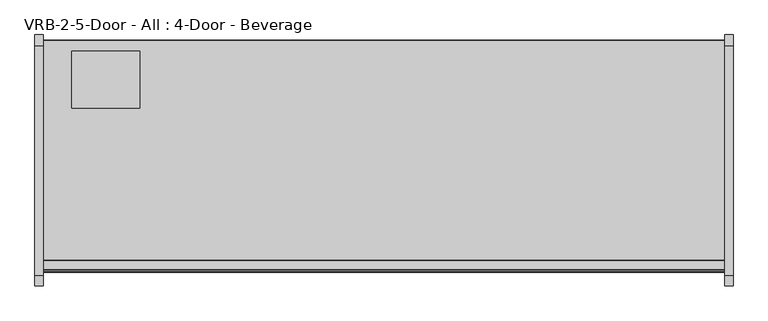
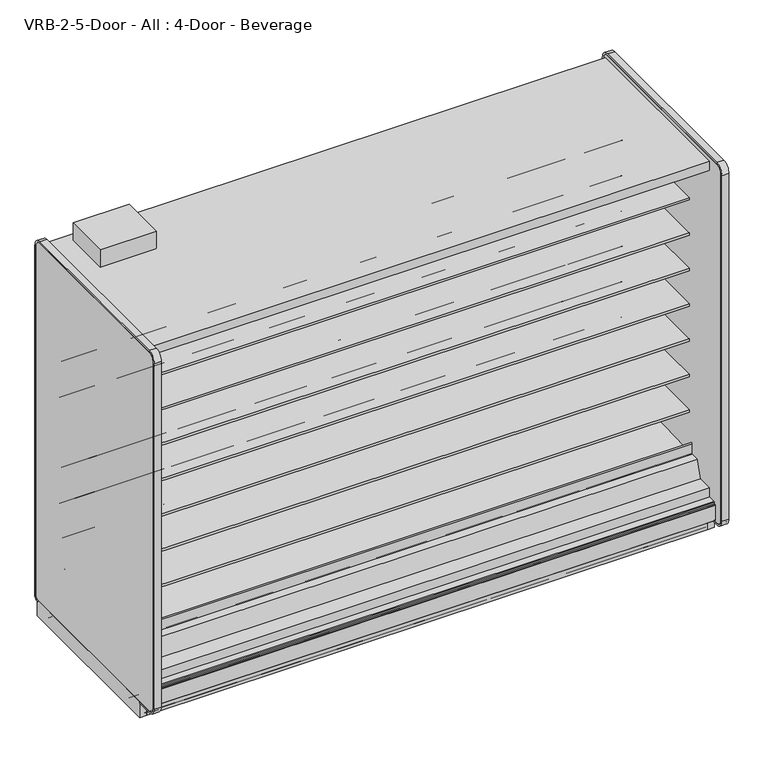
"""IFC4 building model written with IfcOpenShell, lengths in millimetres: proxy geometry, VRB-2-5-Door - All : 4-Door - Beverage."""

from ifc_helpers import new_model, si_unit, point, frame, frame_2d, origin, origin_with_axes, place, context, project, spatial, polyline, circle_curve, trimmed, segment, composite_curve, outline, extrude, source, transform, mapped, element, save
from ifc_brep_helpers import plane_surface, cylinder_surface, revolved_surface, advanced_brep


def vrb_2_5_door_all_4_door_beverage_f29bdd62(model_context):
    return source(origin(), model_context, "Body", "SolidModel", [
        extrude(outline(polyline([(3048.0, -1294.7870385), (3048.0, -1310.6620385), (0.0, -1310.6620385), (0.0, -1294.7870385), (3048.0, -1294.7870385)])), origin_with_axes(), (0.0, 0.0, 1.0), 104.775),
        extrude(outline(composite_curve([segment(polyline([(-454.6049477, 587.0133455), (-454.6049477, 512.2441036), (-474.1172272, 511.9123192)]), True, "CONTINUOUS"), segment(trimmed(circle_curve(frame_2d((-474.5490633, 537.308648)), 25.4), [point((-474.1172272, 511.9123192))], [point((-490.5264195, 517.5631653))], False, "CARTESIAN"), True, "CONTINUOUS"), segment(polyline([(-490.5264195, 517.5631653), (-508.3784807, 532.0084308)]), True, "CONTINUOUS"), segment(trimmed(circle_curve(frame_2d((-548.3218713, 482.6447241)), 63.5), [point((-508.3784807, 532.0084308))], [point((-540.4239901, 545.651656))], True, "CARTESIAN"), True, "CONTINUOUS"), segment(polyline([(-540.4239901, 545.651656), (-881.8726577, 569.3487934), (-883.3614342, 572.7893455), (-1140.4049477, 572.7893455), (-1140.4049477, 587.0133455), (-454.6049477, 587.0133455)]), True, "CONTINUOUS")], self_intersect=False)), frame((0.0, 0.0, 0.0), z_axis=(1.0, 0.0, 0.0), x_axis=(0.0, 1.0, 0.0)), (0.0, 0.0, 1.0), 3048.0),
        extrude(outline(composite_curve([segment(polyline([(-454.6049477, 790.2133624), (-454.6049477, 715.4441204), (-474.1172272, 715.112336)]), True, "CONTINUOUS"), segment(trimmed(circle_curve(frame_2d((-474.5490633, 740.5086648)), 25.4), [point((-474.1172272, 715.112336))], [point((-490.5264195, 720.7631821))], False, "CARTESIAN"), True, "CONTINUOUS"), segment(polyline([(-490.5264195, 720.7631821), (-508.3784807, 735.2084477)]), True, "CONTINUOUS"), segment(trimmed(circle_curve(frame_2d((-548.3218713, 685.8447409)), 63.5), [point((-508.3784807, 735.2084477))], [point((-540.4239901, 748.8516729))], True, "CARTESIAN"), True, "CONTINUOUS"), segment(polyline([(-540.4239901, 748.8516729), (-881.8726577, 772.5488103), (-883.3614342, 775.9893624), (-1140.4049477, 775.9893624), (-1140.4049477, 790.2133624), (-454.6049477, 790.2133624)]), True, "CONTINUOUS")], self_intersect=False)), frame((0.0, 0.0, 0.0), z_axis=(1.0, 0.0, 0.0), x_axis=(0.0, 1.0, 0.0)), (0.0, 0.0, 1.0), 3048.0),
        extrude(outline(composite_curve([segment(polyline([(-454.6049477, 993.4133793), (-454.6049477, 918.6441373), (-474.1172272, 918.3123529)]), True, "CONTINUOUS"), segment(trimmed(circle_curve(frame_2d((-474.5490633, 943.7086817)), 25.4), [point((-474.1172272, 918.3123529))], [point((-490.5264195, 923.963199))], False, "CARTESIAN"), True, "CONTINUOUS"), segment(polyline([(-490.5264195, 923.963199), (-508.3784807, 938.4084646)]), True, "CONTINUOUS"), segment(trimmed(circle_curve(frame_2d((-548.3218713, 889.0447578)), 63.5), [point((-508.3784807, 938.4084646))], [point((-540.4239901, 952.0516897))], True, "CARTESIAN"), True, "CONTINUOUS"), segment(polyline([(-540.4239901, 952.0516897), (-881.8726577, 975.7488272), (-883.3614342, 979.1893793), (-1140.4049477, 979.1893793), (-1140.4049477, 993.4133793), (-454.6049477, 993.4133793)]), True, "CONTINUOUS")], self_intersect=False)), frame((0.0, 0.0, 0.0), z_axis=(1.0, 0.0, 0.0), x_axis=(0.0, 1.0, 0.0)), (0.0, 0.0, 1.0), 3048.0),
        extrude(outline(composite_curve([segment(polyline([(-454.6049477, 1196.6133961), (-454.6049477, 1121.8441542), (-474.1172272, 1121.5123698)]), True, "CONTINUOUS"), segment(trimmed(circle_curve(frame_2d((-474.5490633, 1146.9086986)), 25.4), [point((-474.1172272, 1121.5123698))], [point((-490.5264195, 1127.1632159))], False, "CARTESIAN"), True, "CONTINUOUS"), segment(polyline([(-490.5264195, 1127.1632159), (-508.3784807, 1141.6084814)]), True, "CONTINUOUS"), segment(trimmed(circle_curve(frame_2d((-548.3218713, 1092.2447747)), 63.5), [point((-508.3784807, 1141.6084814))], [point((-540.4239901, 1155.2517066))], True, "CARTESIAN"), True, "CONTINUOUS"), segment(polyline([(-540.4239901, 1155.2517066), (-881.8726577, 1178.948844), (-883.3614342, 1182.3893961), (-1140.4049477, 1182.3893961), (-1140.4049477, 1196.6133961), (-454.6049477, 1196.6133961)]), True, "CONTINUOUS")], self_intersect=False)), frame((0.0, 0.0, 0.0), z_axis=(1.0, 0.0, 0.0), x_axis=(0.0, 1.0, 0.0)), (0.0, 0.0, 1.0), 3048.0),
        extrude(outline(composite_curve([segment(polyline([(-454.6049477, 1399.813413), (-454.6049477, 1325.044171), (-474.1172272, 1324.7123866)]), True, "CONTINUOUS"), segment(trimmed(circle_curve(frame_2d((-474.5490633, 1350.1087155)), 25.4), [point((-474.1172272, 1324.7123866))], [point((-490.5264195, 1330.3632328))], False, "CARTESIAN"), True, "CONTINUOUS"), segment(polyline([(-490.5264195, 1330.3632328), (-508.3784807, 1344.8084983)]), True, "CONTINUOUS"), segment(trimmed(circle_curve(frame_2d((-548.3218713, 1295.4447915)), 63.5), [point((-508.3784807, 1344.8084983))], [point((-540.4239901, 1358.4517235))], True, "CARTESIAN"), True, "CONTINUOUS"), segment(polyline([(-540.4239901, 1358.4517235), (-881.8726577, 1382.1488609), (-883.3614342, 1385.589413), (-1140.4049477, 1385.589413), (-1140.4049477, 1399.813413), (-454.6049477, 1399.813413)]), True, "CONTINUOUS")], self_intersect=False)), frame((0.0, 0.0, 0.0), z_axis=(1.0, 0.0, 0.0), x_axis=(0.0, 1.0, 0.0)), (0.0, 0.0, 1.0), 3048.0),
        extrude(outline(composite_curve([segment(polyline([(-454.6049477, 1603.0134299), (-454.6049477, 1528.2441879), (-474.1172272, 1527.9124035)]), True, "CONTINUOUS"), segment(trimmed(circle_curve(frame_2d((-474.5490633, 1553.3087323)), 25.4), [point((-474.1172272, 1527.9124035))], [point((-490.5264195, 1533.5632496))], False, "CARTESIAN"), True, "CONTINUOUS"), segment(polyline([(-490.5264195, 1533.5632496), (-508.3784807, 1548.0085152)]), True, "CONTINUOUS"), segment(trimmed(circle_curve(frame_2d((-548.3218713, 1498.6448084)), 63.5), [point((-508.3784807, 1548.0085152))], [point((-540.4239901, 1561.6517403))], True, "CARTESIAN"), True, "CONTINUOUS"), segment(polyline([(-540.4239901, 1561.6517403), (-881.8726577, 1585.3488778), (-883.3614342, 1588.7894299), (-1140.4049477, 1588.7894299), (-1140.4049477, 1603.0134299), (-454.6049477, 1603.0134299)]), True, "CONTINUOUS")], self_intersect=False)), frame((0.0, 0.0, 0.0), z_axis=(1.0, 0.0, 0.0), x_axis=(0.0, 1.0, 0.0)), (0.0, 0.0, 1.0), 3048.0),
        advanced_brep(
        [(3048.0, -348.8529385, 2.3876), (3048.0, -348.8529385, 104.775), (3048.0, -1148.1782385, 104.775), (3048.0, -1148.1782385, 24.892), (3048.0, -1148.1782385, 2.3876), (3048.0, -1145.7906385, 0.0), (3048.0, -1106.3866533, 0.0), (3048.0, -1106.3866533, 26.6446), (3048.0, -1091.8070533, 26.6446), (3048.0, -1085.4570533, 32.9946), (3048.0, -1085.4570533, 49.4411), (3048.0, -962.5804385, 49.4411), (3048.0, -941.6254385, 49.4411), (3048.0, -692.7054385, 49.4411), (3048.0, -671.7504385, 49.4411), (3048.0, -549.8304385, 49.4411), (3048.0, -528.8754385, 49.4411), (3048.0, -405.9988237, 49.4411), (3048.0, -405.9988237, 32.9946), (3048.0, -399.6488237, 26.6446), (3048.0, -385.8820237, 26.6446), (3048.0, -385.8820237, 0.0), (3048.0, -351.2405385, 0.0), (0.0, -348.8529385, 2.3876), (0.0, -351.2405385, 0.0), (0.0, -385.8820237, 0.0), (0.0, -385.8820237, 26.6446), (0.0, -399.6488237, 26.6446), (0.0, -405.9988237, 32.9946), (0.0, -405.9988237, 49.4411), (0.0, -528.8754385, 49.4411), (0.0, -549.8304385, 49.4581125), (0.0, -671.7504385, 49.4411), (0.0, -692.7054385, 49.4581125), (0.0, -941.6254385, 49.4411), (0.0, -962.5804385, 49.4581125), (0.0, -1085.4570533, 49.4411), (0.0, -1085.4570533, 32.9946), (0.0, -1091.8070533, 26.6446), (0.0, -1106.3866533, 26.6446), (0.0, -1106.3866533, 0.0), (0.0, -1145.7906385, 0.0), (0.0, -1148.1782385, 2.3876), (0.0, -1148.1782385, 24.892), (0.0, -1148.1782385, 104.775), (0.0, -348.8529385, 104.775)],
        [
            (0, 1),
            (1, 2),
            (2, 3),
            (3, 4),
            (4, 5, circle_curve(frame((3048.0, -1145.7906385, 2.3876), z_axis=(1.0, 0.0, 0.0), x_axis=(0.0, 1.0, 0.0)), 2.3876)),
            (5, 6),
            (6, 7),
            (7, 8),
            (8, 9, circle_curve(frame((3048.0, -1091.8070533, 32.9946), z_axis=(1.0, 0.0, 0.0), x_axis=(0.0, 1.0, 0.0)), 6.35)),
            (9, 10),
            (10, 11),
            (11, 12),
            (12, 13),
            (13, 14),
            (14, 15),
            (15, 16),
            (16, 17),
            (17, 18),
            (18, 19, circle_curve(frame((3048.0, -399.6488237, 32.9946), z_axis=(1.0, 0.0, 0.0), x_axis=(0.0, 1.0, 0.0)), 6.35)),
            (19, 20),
            (20, 21),
            (21, 22),
            (22, 0, circle_curve(frame((3048.0, -351.2405385, 2.3876), z_axis=(1.0, 0.0, 0.0), x_axis=(0.0, 1.0, 0.0)), 2.3876)),
            (23, 24, circle_curve(frame((0.0, -351.2405385, 2.3876), z_axis=(-1.0, 0.0, 0.0), x_axis=(0.0, 1.0, 0.0)), 2.3876)),
            (24, 25),
            (25, 26),
            (26, 27),
            (27, 28, circle_curve(frame((0.0, -399.6488237, 32.9946), z_axis=(-1.0, 0.0, 0.0), x_axis=(0.0, 1.0, 0.0)), 6.35)),
            (28, 29),
            (29, 30),
            (30, 31),
            (31, 32),
            (32, 33),
            (33, 34),
            (34, 35),
            (35, 36),
            (36, 37),
            (37, 38, circle_curve(frame((0.0, -1091.8070533, 32.9946), z_axis=(-1.0, 0.0, 0.0), x_axis=(0.0, 1.0, 0.0)), 6.35)),
            (38, 39),
            (39, 40),
            (40, 41),
            (41, 42, circle_curve(frame((0.0, -1145.7906385, 2.3876), z_axis=(-1.0, 0.0, 0.0), x_axis=(0.0, 1.0, 0.0)), 2.3876)),
            (42, 43),
            (43, 44),
            (44, 45),
            (45, 23),
            (0, 23),
            (45, 1),
            (44, 2),
            (43, 3),
            (42, 4),
            (41, 5),
            (40, 6),
            (39, 7),
            (38, 8),
            (37, 9),
            (36, 10),
            (35, 11),
            (34, 12),
            (33, 13),
            (32, 14),
            (31, 15),
            (30, 16),
            (29, 17),
            (28, 18),
            (27, 19),
            (26, 20),
            (25, 21),
            (24, 22),
        ],
        [
            plane_surface(frame((3048.0, -348.8529385, 104.775), z_axis=(1.0, 0.0, 0.0), x_axis=(0.0, 0.0, 1.0))),
            plane_surface(frame((0.0, -348.8529385, 104.775), z_axis=(-1.0, 0.0, 0.0), x_axis=(0.0, 0.0, -1.0))),
            plane_surface(frame((3048.0, -348.8529385, 2.3876), z_axis=(0.0, 1.0, 0.0), x_axis=(-1.0, 0.0, 0.0))),
            plane_surface(frame((3048.0, -348.8529385, 104.775), z_axis=(0.0, 0.0, 1.0), x_axis=(-1.0, 0.0, 0.0))),
            plane_surface(frame((3048.0, -1148.1782385, 104.775), z_axis=(0.0, -1.0, 0.0), x_axis=(-1.0, 0.0, 0.0))),
            plane_surface(frame((3048.0, -1148.1782385, 24.892), z_axis=(0.0, -1.0, 0.0), x_axis=(-1.0, 0.0, 0.0))),
            cylinder_surface(frame((0.0, -1145.7906385, 2.3876), z_axis=(1.0, 0.0, 0.0), x_axis=(0.0, 1.0, 0.0)), 2.3876),
            plane_surface(frame((3048.0, -1145.7906385, 0.0), z_axis=(0.0, 0.0, -1.0), x_axis=(-1.0, 0.0, 0.0))),
            plane_surface(frame((3048.0, -1106.3866533, 0.0), z_axis=(0.0, 1.0, 0.0), x_axis=(-1.0, 0.0, 0.0))),
            plane_surface(frame((3048.0, -1106.3866533, 26.6446), z_axis=(0.0, 0.0, -1.0), x_axis=(-1.0, 0.0, 0.0))),
            cylinder_surface(frame((0.0, -1091.8070533, 32.9946), z_axis=(1.0, 0.0, 0.0), x_axis=(0.0, 1.0, 0.0)), 6.35),
            plane_surface(frame((3048.0, -1085.4570533, 32.9946), z_axis=(0.0, 1.0, 0.0), x_axis=(-1.0, 0.0, 0.0))),
            plane_surface(frame((3048.0, -1085.4570533, 49.4411), z_axis=(0.0, 0.0, -1.0), x_axis=(-1.0, 0.0, 0.0))),
            plane_surface(frame((3048.0, -962.5804385, 49.4581125), z_axis=(0.0, -0.0008118606294216209, -0.9999996704411049), x_axis=(-1.0, 0.0, 0.0))),
            plane_surface(frame((3048.0, -941.6254385, 49.4411), z_axis=(0.0, 0.0, -1.0), x_axis=(-1.0, 0.0, 0.0))),
            plane_surface(frame((3048.0, -692.7054385, 49.4581125), z_axis=(0.0, -0.0008118606294217887, -0.9999996704411049), x_axis=(-1.0, 0.0, 0.0))),
            plane_surface(frame((3048.0, -671.7504385, 49.4411), z_axis=(0.0, 0.0, -1.0), x_axis=(-1.0, 0.0, 0.0))),
            plane_surface(frame((3048.0, -549.8304385, 49.4581125), z_axis=(0.0, -0.0008118606294217887, -0.9999996704411049), x_axis=(-1.0, 0.0, 0.0))),
            plane_surface(frame((3048.0, -528.8754385, 49.4411), z_axis=(0.0, 0.0, -1.0), x_axis=(-1.0, 0.0, 0.0))),
            plane_surface(frame((3048.0, -405.9988237, 49.4411), z_axis=(0.0, -1.0, 0.0), x_axis=(-1.0, 0.0, 0.0))),
            cylinder_surface(frame((0.0, -399.6488237, 32.9946), z_axis=(1.0, 0.0, 0.0), x_axis=(0.0, 1.0, 0.0)), 6.35),
            plane_surface(frame((3048.0, -399.6488237, 26.6446), z_axis=(0.0, 0.0, -1.0), x_axis=(-1.0, 0.0, 0.0))),
            plane_surface(frame((3048.0, -385.8820237, 26.6446), z_axis=(0.0, -1.0, 0.0), x_axis=(-1.0, 0.0, 0.0))),
            plane_surface(frame((3048.0, -385.8820237, 0.0), z_axis=(0.0, 0.0, -1.0), x_axis=(-1.0, 0.0, 0.0))),
            cylinder_surface(frame((0.0, -351.2405385, 2.3876), z_axis=(1.0, 0.0, 0.0), x_axis=(0.0, 1.0, 0.0)), 2.3876),
        ],
        [
            (0, [[1, 2, 3, 4, 5, 6, 7, 8, 9, 10, 11, 12, 13, 14, 15, 16, 17, 18, 19, 20, 21, 22, 23]]),
            (1, [[24, 25, 26, 27, 28, 29, 30, 31, 32, 33, 34, 35, 36, 37, 38, 39, 40, 41, 42, 43, 44, 45, 46]]),
            (2, [[-1, 47, -46, 48]]),
            (3, [[-2, -48, -45, 49]]),
            (4, [[-3, -49, -44, 50]]),
            (5, [[-4, -50, -43, 51]]),
            (6, [[-5, -51, -42, 52]]),
            (7, [[-6, -52, -41, 53]]),
            (8, [[-7, -53, -40, 54]]),
            (9, [[-8, -54, -39, 55]]),
            (10, [[-9, -55, -38, 56]]),
            (11, [[-10, -56, -37, 57]]),
            (12, [[-11, -57, -36, 58]]),
            (13, [[-12, -58, -35, 59]]),
            (14, [[-13, -59, -34, 60]]),
            (15, [[-14, -60, -33, 61]]),
            (16, [[-15, -61, -32, 62]]),
            (17, [[-16, -62, -31, 63]]),
            (18, [[-17, -63, -30, 64]]),
            (19, [[-18, -64, -29, 65]]),
            (20, [[-19, -65, -28, 66]]),
            (21, [[-20, -66, -27, 67]]),
            (22, [[-21, -67, -26, 68]]),
            (23, [[-22, -68, -25, 69]]),
            (24, [[-23, -69, -24, -47]]),
        ],
    ),
        extrude(outline(composite_curve([segment(polyline([(-454.6049477, 1806.2134975), (-454.6049477, 1731.4442556), (-474.1172272, 1731.1124712)]), True, "CONTINUOUS"), segment(trimmed(circle_curve(frame_2d((-474.5490633, 1756.5088)), 25.4), [point((-474.1172272, 1731.1124712))], [point((-490.5264195, 1736.7633173))], False, "CARTESIAN"), True, "CONTINUOUS"), segment(polyline([(-490.5264195, 1736.7633173), (-508.3784807, 1751.2085828)]), True, "CONTINUOUS"), segment(trimmed(circle_curve(frame_2d((-548.3218713, 1701.8448761)), 63.5), [point((-508.3784807, 1751.2085828))], [point((-540.4239901, 1764.851808))], True, "CARTESIAN"), True, "CONTINUOUS"), segment(polyline([(-540.4239901, 1764.851808), (-881.8726577, 1788.5489454), (-883.3614342, 1791.9894975), (-1140.4049477, 1791.9894975), (-1140.4049477, 1806.2134975), (-454.6049477, 1806.2134975)]), True, "CONTINUOUS")], self_intersect=False)), frame((0.0, 0.0, 0.0), z_axis=(1.0, 0.0, 0.0), x_axis=(0.0, 1.0, 0.0)), (0.0, 0.0, 1.0), 3048.0),
        advanced_brep(
        [(3048.0, -348.8529385, 104.775), (3048.0, -348.8529385, 2130.425), (3048.0, -1332.4576552, 2130.425), (3048.0, -1332.4576552, 2080.6916932), (3048.0, -403.803446, 2080.6916932), (3048.0, -403.803446, 192.3002762), (3048.0, -1241.5918606, 158.2443144), (3048.0, -1332.4576552, 168.8736205), (3048.0, -1332.4576552, 201.2766923), (3048.0, -1373.5961083, 201.2766923), (3048.0, -1376.2595244, 197.8095897), (3048.0, -1376.2595244, 188.9614574), (3048.0, -1385.0649885, 188.9614574), (3048.0, -1386.6397885, 187.3866574), (3048.0, -1386.6397885, 185.7356574), (3048.0, -1387.5033885, 185.7356574), (3048.0, -1387.5033885, 101.7483517), (3048.0, -1384.3560744, 101.0506089), (3048.0, -1382.6193623, 104.775), (0.0, -348.8529385, 104.775), (0.0, -1382.6193623, 104.775), (0.0, -1384.3560744, 101.0506089), (0.0, -1387.5033885, 101.7483517), (0.0, -1387.5033885, 185.7356574), (0.0, -1386.6397885, 185.7356574), (0.0, -1386.6397885, 187.3866574), (0.0, -1385.0649885, 188.9614574), (0.0, -1376.2595244, 188.9614574), (0.0, -1376.2595244, 197.8095897), (0.0, -1373.5961083, 201.2766923), (0.0, -1332.4576552, 201.2766923), (0.0, -1332.4576552, 168.8736205), (0.0, -1241.5918606, 158.2443144), (0.0, -403.803446, 192.3002762), (0.0, -403.803446, 2080.6916932), (0.0, -1332.4576552, 2080.6916932), (0.0, -1332.4576552, 2130.425), (0.0, -348.8529385, 2130.425), (2946.4, -348.8529385, 184.15), (2946.4, -348.8529385, 285.75), (2946.4, -399.3710689, 184.15), (2946.4, -399.3710689, 285.75)],
        [
            (0, 1),
            (1, 2),
            (2, 3),
            (3, 4),
            (4, 5),
            (5, 6),
            (6, 7),
            (7, 8),
            (8, 9),
            (9, 10, circle_curve(frame((3048.0, -1372.1757389, 197.4290047), z_axis=(1.0, 0.0, 0.0), x_axis=(0.0, 1.0, 0.0)), 4.1014814)),
            (10, 11),
            (11, 12),
            (12, 13, circle_curve(frame((3048.0, -1385.0649885, 187.3866574), z_axis=(1.0, 0.0, 0.0), x_axis=(0.0, 1.0, 0.0)), 1.5748)),
            (13, 14),
            (14, 15),
            (15, 16),
            (16, 17, circle_curve(frame((3048.0, -1385.8523885, 101.7483517), z_axis=(1.0, 0.0, 0.0), x_axis=(0.0, 1.0, 0.0)), 1.651)),
            (17, 18),
            (18, 0),
            (19, 20),
            (20, 21),
            (21, 22, circle_curve(frame((0.0, -1385.8523885, 101.7483517), z_axis=(-1.0, 0.0, 0.0), x_axis=(0.0, 1.0, 0.0)), 1.651)),
            (22, 23),
            (23, 24),
            (24, 25),
            (25, 26, circle_curve(frame((0.0, -1385.0649885, 187.3866574), z_axis=(-1.0, 0.0, 0.0), x_axis=(0.0, 1.0, 0.0)), 1.5748)),
            (26, 27),
            (27, 28),
            (28, 29, circle_curve(frame((0.0, -1372.1757389, 197.4290047), z_axis=(-1.0, 0.0, 0.0), x_axis=(0.0, 1.0, 0.0)), 4.1014814)),
            (29, 30),
            (30, 31),
            (31, 32),
            (32, 33),
            (33, 34),
            (34, 35),
            (35, 36),
            (36, 37),
            (37, 19),
            (0, 19),
            (37, 1),
            (38, 39, circle_curve(frame((2946.4, -348.8529385, 234.95), z_axis=(0.0, -1.0, 0.0), x_axis=(0.0, 0.0, 1.0)), 50.8)),
            (39, 38, circle_curve(frame((2946.4, -348.8529385, 234.95), z_axis=(0.0, -1.0, 0.0), x_axis=(0.0, 0.0, 1.0)), 50.8)),
            (18, 20),
            (36, 2),
            (35, 3),
            (34, 4),
            (33, 5),
            (32, 6),
            (31, 7),
            (30, 8),
            (29, 9),
            (28, 10),
            (27, 11),
            (26, 12),
            (25, 13),
            (24, 14),
            (23, 15),
            (22, 16),
            (21, 17),
            (40, 41, circle_curve(frame((2946.4, -399.3710689, 234.95), z_axis=(0.0, 1.0, 0.0), x_axis=(0.0, 0.0, 1.0)), 50.8)),
            (41, 40, circle_curve(frame((2946.4, -399.3710689, 234.95), z_axis=(0.0, 1.0, 0.0), x_axis=(0.0, 0.0, 1.0)), 50.8)),
            (41, 39),
            (38, 40),
        ],
        [
            plane_surface(frame((3048.0, -348.8529385, 2130.425), z_axis=(1.0, 0.0, 0.0), x_axis=(0.0, 0.0, 1.0))),
            plane_surface(frame((0.0, -348.8529385, 2130.425), z_axis=(-1.0, 0.0, 0.0), x_axis=(0.0, 0.0, -1.0))),
            plane_surface(frame((3048.0, -348.8529385, 104.775), z_axis=(0.0, 1.0, 0.0), x_axis=(-1.0, 0.0, 0.0))),
            plane_surface(frame((3048.0, -1382.6193623, 104.775), z_axis=(0.0, 0.0, -1.0), x_axis=(-1.0, 0.0, 0.0))),
            plane_surface(frame((3048.0, -348.8529385, 2130.425), z_axis=(0.0, 0.0, 1.0), x_axis=(-1.0, 0.0, 0.0))),
            plane_surface(frame((3048.0, -1332.4576552, 2130.425), z_axis=(0.0, -1.0, 0.0), x_axis=(-1.0, 0.0, 0.0))),
            plane_surface(frame((3048.0, -1332.4576552, 2080.6916932), z_axis=(0.0, 0.0, -1.0), x_axis=(-1.0, 0.0, 0.0))),
            plane_surface(frame((3048.0, -403.803446, 2080.6916932), z_axis=(0.0, -1.0, 0.0), x_axis=(-1.0, 0.0, 0.0))),
            plane_surface(frame((3048.0, -403.803446, 192.3002762), z_axis=(0.0, -0.04061629258568473, 0.9991748179255691), x_axis=(-1.0, 0.0, 0.0))),
            plane_surface(frame((3048.0, -1241.5918606, 158.2443144), z_axis=(0.0, 0.11618584341211871, 0.9932274914593407), x_axis=(-1.0, 0.0, 0.0))),
            plane_surface(frame((3048.0, -1332.4576552, 168.8736205), z_axis=(0.0, 1.0, 0.0), x_axis=(-1.0, 0.0, 0.0))),
            plane_surface(frame((3048.0, -1332.4576552, 201.2766923), z_axis=(0.0, 0.0, 1.0), x_axis=(-1.0, 0.0, 0.0))),
            cylinder_surface(frame((0.0, -1372.1757389, 197.4290047), z_axis=(1.0, 0.0, 0.0), x_axis=(0.0, 1.0, 0.0)), 4.1014814),
            plane_surface(frame((3048.0, -1376.2595244, 197.8095897), z_axis=(0.0, -1.0, 0.0), x_axis=(-1.0, 0.0, 0.0))),
            plane_surface(frame((3048.0, -1376.2595244, 188.9614574), z_axis=(0.0, 0.0, 1.0), x_axis=(-1.0, 0.0, 0.0))),
            cylinder_surface(frame((0.0, -1385.0649885, 187.3866574), z_axis=(1.0, 0.0, 0.0), x_axis=(0.0, 1.0, 0.0)), 1.5748),
            plane_surface(frame((3048.0, -1386.6397885, 187.3866574), z_axis=(0.0, -1.0, 0.0), x_axis=(-1.0, 0.0, 0.0))),
            plane_surface(frame((3048.0, -1386.6397885, 185.7356574), z_axis=(0.0, 0.0, 1.0), x_axis=(-1.0, 0.0, 0.0))),
            plane_surface(frame((3048.0, -1387.5033885, 185.7356574), z_axis=(0.0, -1.0, 0.0), x_axis=(-1.0, 0.0, 0.0))),
            cylinder_surface(frame((0.0, -1385.8523885, 101.7483517), z_axis=(1.0, 0.0, 0.0), x_axis=(0.0, 1.0, 0.0)), 1.651),
            plane_surface(frame((3048.0, -1384.3560744, 101.0506089), z_axis=(0.0, 0.9063077870347213, -0.42261826174483563), x_axis=(-1.0, 0.0, 0.0))),
            plane_surface(frame((2946.4, -399.3710689, 285.75), z_axis=(0.0, 1.0, 0.0), x_axis=(-1.0, 0.0, 0.0))),
            revolved_surface(polyline([(2946.4, -399.3710689, 285.75), (2946.4, -348.8529385, 285.75)]), (2946.4, -348.8529385, 234.95), (0.0, -1.0, 0.0)),
        ],
        [
            (0, [[1, 2, 3, 4, 5, 6, 7, 8, 9, 10, 11, 12, 13, 14, 15, 16, 17, 18, 19]]),
            (1, [[20, 21, 22, 23, 24, 25, 26, 27, 28, 29, 30, 31, 32, 33, 34, 35, 36, 37, 38]]),
            (2, [[-1, 39, -38, 40], [41, 42]]),
            (3, [[-19, 43, -20, -39]]),
            (4, [[-2, -40, -37, 44]]),
            (5, [[-3, -44, -36, 45]]),
            (6, [[-4, -45, -35, 46]]),
            (7, [[-5, -46, -34, 47]]),
            (8, [[-6, -47, -33, 48]]),
            (9, [[-7, -48, -32, 49]]),
            (10, [[-8, -49, -31, 50]]),
            (11, [[-9, -50, -30, 51]]),
            (12, [[-10, -51, -29, 52]]),
            (13, [[-11, -52, -28, 53]]),
            (14, [[-12, -53, -27, 54]]),
            (15, [[-13, -54, -26, 55]]),
            (16, [[-14, -55, -25, 56]]),
            (17, [[-15, -56, -24, 57]]),
            (18, [[-16, -57, -23, 58]]),
            (19, [[-17, -58, -22, 59]]),
            (20, [[-18, -59, -21, -43]]),
            (21, [[60, 61]]),
            (22, [[-61, 62, -41, 63]]),
            (22, [[-60, -63, -42, -62]]),
        ],
    ),
        extrude(outline(composite_curve([segment(polyline([(-538.5117544, 357.6712667), (-1154.4031001, 336.1426369)]), True, "CONTINUOUS"), segment(trimmed(circle_curve(frame_2d((-1154.7855355, 347.0833549)), 10.9474), [point((-1154.4031001, 336.1426369))], [point((-1165.7262535, 346.7009195))], False, "CARTESIAN"), True, "CONTINUOUS"), segment(polyline([(-1165.7262535, 346.7009195), (-1167.8700214, 408.029863)]), True, "CONTINUOUS"), segment(trimmed(circle_curve(frame_2d((-1163.9861934, 408.1656231)), 3.8862), [point((-1167.8700214, 408.029863))], [point((-1160.1023655, 408.3013832))], False, "CARTESIAN"), True, "CONTINUOUS"), segment(polyline([(-1160.1023655, 408.3013832), (-1157.9585975, 346.9724398)]), True, "CONTINUOUS"), segment(trimmed(circle_curve(frame_2d((-1154.7855355, 347.0833549)), 3.175), [point((-1157.9585975, 346.9724398))], [point((-1154.6746203, 343.9102928))], True, "CARTESIAN"), True, "CONTINUOUS"), segment(polyline([(-1154.6746203, 343.9102928), (-531.7333421, 365.6853547)]), True, "CONTINUOUS"), segment(trimmed(circle_curve(frame_2d((-531.5939074, 361.7960469)), 3.8918064), [point((-531.7333421, 365.6853547))], [point((-531.1633305, 357.9281326))], False, "CARTESIAN"), True, "CONTINUOUS"), segment(polyline([(-531.1633305, 357.9281326), (-538.5117544, 357.6712667)]), True, "CONTINUOUS")], self_intersect=False)), frame((0.0, 0.0, 0.0), z_axis=(1.0, 0.0, 0.0), x_axis=(0.0, 1.0, 0.0)), (0.0, 0.0, 1.0), 3048.0),
        extrude(outline(polyline([(-403.803446, 191.9712577), (-1241.5918606, 158.2443144), (-1332.4576552, 168.8736205), (-1332.4576552, 252.8737805), (-1245.6201539, 252.8737805), (-1214.4845686, 346.8534577), (-1168.9799477, 348.4440826), (-1168.9799477, 335.7440826), (-526.1387503, 358.2147509), (-526.1387503, 370.9147509), (-467.1371555, 372.9771658), (-467.1371555, 377.4368561), (-454.6049477, 377.4368561), (-454.6049477, 268.1711844), (-403.803446, 268.1711844), (-403.803446, 191.9712577)])), frame((0.0, 0.0, 0.0), z_axis=(1.0, 0.0, 0.0), x_axis=(0.0, 1.0, 0.0)), (0.0, 0.0, 1.0), 3048.0),
        extrude(outline(polyline([(-403.803446, 268.1711844), (-454.6049477, 268.1711844), (-454.6049477, 2053.8368561), (-1209.6263466, 2053.8368561), (-1283.9191918, 2080.6916932), (-403.803446, 2080.6916932), (-403.803446, 268.1711844)])), frame((0.0, 0.0, 0.0), z_axis=(1.0, 0.0, 0.0), x_axis=(0.0, 1.0, 0.0)), (0.0, 0.0, 1.0), 3048.0),
        extrude(outline(composite_curve([segment(trimmed(circle_curve(frame_2d((1524.0, -1072.7529385)), 38.1), [point((1485.9, -1072.7529385))], [point((1562.1, -1072.7529385))], False, "CARTESIAN"), True, "CONTINUOUS"), segment(trimmed(circle_curve(frame_2d((1524.0, -1072.7529385)), 38.1), [point((1562.1, -1072.7529385))], [point((1485.9, -1072.7529385))], False, "CARTESIAN"), True, "CONTINUOUS")], self_intersect=False)), frame((0.0, 0.0, -5.8513653), z_axis=(0.0, 0.0, 1.0), x_axis=(1.0, 0.0, 0.0)), (0.0, 0.0, 1.0), 110.6263653),
        extrude(outline(composite_curve([segment(trimmed(circle_curve(frame_2d((2801.2604036, -1069.5779385)), 9.525), [point((2791.7354036, -1069.5779385))], [point((2810.7854036, -1069.5779385))], False, "CARTESIAN"), True, "CONTINUOUS"), segment(trimmed(circle_curve(frame_2d((2801.2604036, -1069.5779385)), 9.525), [point((2810.7854036, -1069.5779385))], [point((2791.7354036, -1069.5779385))], False, "CARTESIAN"), True, "CONTINUOUS")], self_intersect=False)), frame((0.0, 0.0, -5.8513653), z_axis=(0.0, 0.0, 1.0), x_axis=(1.0, 0.0, 0.0)), (0.0, 0.0, 1.0), 110.6263653),
        extrude(outline(composite_curve([segment(trimmed(circle_curve(frame_2d((2846.1868135, -1069.5779385)), 12.7), [point((2833.4868135, -1069.5779385))], [point((2858.8868135, -1069.5779385))], False, "CARTESIAN"), True, "CONTINUOUS"), segment(trimmed(circle_curve(frame_2d((2846.1868135, -1069.5779385)), 12.7), [point((2858.8868135, -1069.5779385))], [point((2833.4868135, -1069.5779385))], False, "CARTESIAN"), True, "CONTINUOUS")], self_intersect=False)), frame((0.0, 0.0, -5.8513653), z_axis=(0.0, 0.0, 1.0), x_axis=(1.0, 0.0, 0.0)), (0.0, 0.0, 1.0), 110.6263653),
        extrude(outline(polyline([(127.0, -650.8843385), (127.0, -396.8843385), (431.8, -396.8843385), (431.8, -650.8843385), (127.0, -650.8843385)])), frame((0.0, 0.0, 2130.425), z_axis=(0.0, 0.0, 1.0), x_axis=(1.0, 0.0, 0.0)), (0.0, 0.0, 1.0), 101.6),
        extrude(outline(polyline([(3048.0, -1310.6620385), (3048.0, -344.7571249), (3086.1, -344.7571249), (3086.1, -1310.6620385), (3048.0, -1310.6620385)])), origin_with_axes(), (0.0, 0.0, 1.0), 92.075),
        extrude(outline(composite_curve([segment(trimmed(circle_curve(frame_2d((-1399.7779385, 130.2020486)), 38.1), [point((-1437.8779385, 130.2020486))], [point((-1399.7779385, 92.1020486))], True, "CARTESIAN"), True, "CONTINUOUS"), segment(polyline([(-1399.7779385, 92.1020486), (-1310.6620385, 92.1020486), (-1310.6620385, 82.5770486), (-1399.7779385, 82.5770486)]), True, "CONTINUOUS"), segment(trimmed(circle_curve(frame_2d((-1399.7779385, 130.2020486)), 47.625), [point((-1399.7779385, 82.5770486))], [point((-1447.4029385, 130.2020486))], False, "CARTESIAN"), True, "CONTINUOUS"), segment(polyline([(-1447.4029385, 130.2020486), (-1447.4029385, 2117.725)]), True, "CONTINUOUS"), segment(trimmed(circle_curve(frame_2d((-1399.7779385, 2117.725)), 47.625), [point((-1447.4029385, 2117.725))], [point((-1399.7779385, 2165.35))], False, "CARTESIAN"), True, "CONTINUOUS"), segment(polyline([(-1399.7779385, 2165.35), (-370.7667333, 2165.35)]), True, "CONTINUOUS"), segment(trimmed(circle_curve(frame_2d((-370.7667333, 2117.725)), 47.625), [point((-370.7667333, 2165.35))], [point((-323.1417333, 2117.725))], False, "CARTESIAN"), True, "CONTINUOUS"), segment(polyline([(-323.1417333, 2117.725), (-323.1417333, 104.8020486)]), True, "CONTINUOUS"), segment(trimmed(circle_curve(frame_2d((-345.3667333, 104.8020486)), 22.225), [point((-323.1417333, 104.8020486))], [point((-345.3667333, 82.5770486))], False, "CARTESIAN"), True, "CONTINUOUS"), segment(polyline([(-345.3667333, 82.5770486), (-348.8529385, 82.5770486), (-348.8529385, 92.1020486), (-345.3667333, 92.1020486)]), True, "CONTINUOUS"), segment(trimmed(circle_curve(frame_2d((-345.3667333, 104.8020486)), 12.7), [point((-345.3667333, 92.1020486))], [point((-332.6667333, 104.8020486))], True, "CARTESIAN"), True, "CONTINUOUS"), segment(polyline([(-332.6667333, 104.8020486), (-332.6667333, 2117.725)]), True, "CONTINUOUS"), segment(trimmed(circle_curve(frame_2d((-370.7667333, 2117.725)), 38.1), [point((-332.6667333, 2117.725))], [point((-370.7667333, 2155.825))], True, "CARTESIAN"), True, "CONTINUOUS"), segment(polyline([(-370.7667333, 2155.825), (-1399.7779385, 2155.825)]), True, "CONTINUOUS"), segment(trimmed(circle_curve(frame_2d((-1399.7779385, 2117.725)), 38.1), [point((-1399.7779385, 2155.825))], [point((-1437.8779385, 2117.725))], True, "CARTESIAN"), True, "CONTINUOUS"), segment(polyline([(-1437.8779385, 2117.725), (-1437.8779385, 130.2020486)]), True, "CONTINUOUS")], self_intersect=False)), frame((3048.0, 0.0, 0.0), z_axis=(1.0, 0.0, 0.0), x_axis=(0.0, 1.0, 0.0)), (0.0, 0.0, 1.0), 38.1),
        extrude(outline(composite_curve([segment(trimmed(circle_curve(frame_2d((-1399.7779385, 130.2020486)), 38.1), [point((-1437.8779385, 130.2020486))], [point((-1399.7779385, 92.1020486))], True, "CARTESIAN"), True, "CONTINUOUS"), segment(polyline([(-1399.7779385, 92.1020486), (-1310.6620385, 92.1020486), (-1310.6620385, 82.5770486), (-1399.7779385, 82.5770486)]), True, "CONTINUOUS"), segment(trimmed(circle_curve(frame_2d((-1399.7779385, 130.2020486)), 47.625), [point((-1399.7779385, 82.5770486))], [point((-1447.4029385, 130.2020486))], False, "CARTESIAN"), True, "CONTINUOUS"), segment(polyline([(-1447.4029385, 130.2020486), (-1447.4029385, 2117.725)]), True, "CONTINUOUS"), segment(trimmed(circle_curve(frame_2d((-1399.7779385, 2117.725)), 47.625), [point((-1447.4029385, 2117.725))], [point((-1399.7779385, 2165.35))], False, "CARTESIAN"), True, "CONTINUOUS"), segment(polyline([(-1399.7779385, 2165.35), (-370.7667333, 2165.35)]), True, "CONTINUOUS"), segment(trimmed(circle_curve(frame_2d((-370.7667333, 2117.725)), 47.625), [point((-370.7667333, 2165.35))], [point((-323.1417333, 2117.725))], False, "CARTESIAN"), True, "CONTINUOUS"), segment(polyline([(-323.1417333, 2117.725), (-323.1417333, 104.8020486)]), True, "CONTINUOUS"), segment(trimmed(circle_curve(frame_2d((-345.3667333, 104.8020486)), 22.225), [point((-323.1417333, 104.8020486))], [point((-345.3667333, 82.5770486))], False, "CARTESIAN"), True, "CONTINUOUS"), segment(polyline([(-345.3667333, 82.5770486), (-348.8529385, 82.5770486), (-348.8529385, 92.1020486), (-345.3667333, 92.1020486)]), True, "CONTINUOUS"), segment(trimmed(circle_curve(frame_2d((-345.3667333, 104.8020486)), 12.7), [point((-345.3667333, 92.1020486))], [point((-332.6667333, 104.8020486))], True, "CARTESIAN"), True, "CONTINUOUS"), segment(polyline([(-332.6667333, 104.8020486), (-332.6667333, 2117.725)]), True, "CONTINUOUS"), segment(trimmed(circle_curve(frame_2d((-370.7667333, 2117.725)), 38.1), [point((-332.6667333, 2117.725))], [point((-370.7667333, 2155.825))], True, "CARTESIAN"), True, "CONTINUOUS"), segment(polyline([(-370.7667333, 2155.825), (-1399.7779385, 2155.825)]), True, "CONTINUOUS"), segment(trimmed(circle_curve(frame_2d((-1399.7779385, 2117.725)), 38.1), [point((-1399.7779385, 2155.825))], [point((-1437.8779385, 2117.725))], True, "CARTESIAN"), True, "CONTINUOUS"), segment(polyline([(-1437.8779385, 2117.725), (-1437.8779385, 130.2020486)]), True, "CONTINUOUS")], self_intersect=False)), frame((-38.1, 0.0, 0.0), z_axis=(1.0, 0.0, 0.0), x_axis=(0.0, 1.0, 0.0)), (0.0, 0.0, 1.0), 38.1),
        extrude(outline(polyline([(0.0, -344.7571249), (0.0, -1310.6620385), (-38.1, -1310.6620385), (-38.1, -344.7571249), (0.0, -344.7571249)])), origin_with_axes(), (0.0, 0.0, 1.0), 92.075),
        extrude(outline(composite_curve([segment(polyline([(-1399.7779385, 2155.825), (-370.7667333, 2155.825)]), True, "CONTINUOUS"), segment(trimmed(circle_curve(frame_2d((-370.7667333, 2117.725)), 38.1), [point((-370.7667333, 2155.825))], [point((-332.6667333, 2117.725))], False, "CARTESIAN"), True, "CONTINUOUS"), segment(polyline([(-332.6667333, 2117.725), (-332.6667333, 104.8020486)]), True, "CONTINUOUS"), segment(trimmed(circle_curve(frame_2d((-345.3667333, 104.8020486)), 12.7), [point((-332.6667333, 104.8020486))], [point((-345.3667333, 92.1020486))], False, "CARTESIAN"), True, "CONTINUOUS"), segment(polyline([(-345.3667333, 92.1020486), (-1399.7779385, 92.1020486)]), True, "CONTINUOUS"), segment(trimmed(circle_curve(frame_2d((-1399.7779385, 130.2020486)), 38.1), [point((-1399.7779385, 92.1020486))], [point((-1437.8779385, 130.2020486))], False, "CARTESIAN"), True, "CONTINUOUS"), segment(polyline([(-1437.8779385, 130.2020486), (-1437.8779385, 2117.725)]), True, "CONTINUOUS"), segment(trimmed(circle_curve(frame_2d((-1399.7779385, 2117.725)), 38.1), [point((-1437.8779385, 2117.725))], [point((-1399.7779385, 2155.825))], False, "CARTESIAN"), True, "CONTINUOUS")], self_intersect=False)), frame((3048.0, 0.0, 0.0), z_axis=(1.0, 0.0, 0.0), x_axis=(0.0, 1.0, 0.0)), (0.0, 0.0, 1.0), 38.1),
        extrude(outline(composite_curve([segment(polyline([(-1399.7779385, 2155.825), (-370.7667333, 2155.825)]), True, "CONTINUOUS"), segment(trimmed(circle_curve(frame_2d((-370.7667333, 2117.725)), 38.1), [point((-370.7667333, 2155.825))], [point((-332.6667333, 2117.725))], False, "CARTESIAN"), True, "CONTINUOUS"), segment(polyline([(-332.6667333, 2117.725), (-332.6667333, 104.8020486)]), True, "CONTINUOUS"), segment(trimmed(circle_curve(frame_2d((-345.3667333, 104.8020486)), 12.7), [point((-332.6667333, 104.8020486))], [point((-345.3667333, 92.1020486))], False, "CARTESIAN"), True, "CONTINUOUS"), segment(polyline([(-345.3667333, 92.1020486), (-1399.7779385, 92.1020486)]), True, "CONTINUOUS"), segment(trimmed(circle_curve(frame_2d((-1399.7779385, 130.2020486)), 38.1), [point((-1399.7779385, 92.1020486))], [point((-1437.8779385, 130.2020486))], False, "CARTESIAN"), True, "CONTINUOUS"), segment(polyline([(-1437.8779385, 130.2020486), (-1437.8779385, 2117.725)]), True, "CONTINUOUS"), segment(trimmed(circle_curve(frame_2d((-1399.7779385, 2117.725)), 38.1), [point((-1437.8779385, 2117.725))], [point((-1399.7779385, 2155.825))], False, "CARTESIAN"), True, "CONTINUOUS")], self_intersect=False)), frame((-38.1, 0.0, 0.0), z_axis=(1.0, 0.0, 0.0), x_axis=(0.0, 1.0, 0.0)), (0.0, 0.0, 1.0), 38.1),
        extrude(outline(composite_curve([segment(polyline([(-1294.7870385, 6.57225), (-1294.7870385, 104.775), (-1148.1782385, 104.775), (-1148.1782385, 30.0856668), (-1153.5258546, 30.0856668), (-1153.5258546, 1.51765), (-1289.7324385, 1.51765)]), True, "CONTINUOUS"), segment(trimmed(circle_curve(frame_2d((-1289.7324385, 6.57225)), 5.0546), [point((-1289.7324385, 1.51765))], [point((-1294.7870385, 6.57225))], False, "CARTESIAN"), True, "CONTINUOUS")], self_intersect=False)), frame((0.0, 0.0, 0.0), z_axis=(1.0, 0.0, 0.0), x_axis=(0.0, 1.0, 0.0)), (0.0, 0.0, 1.0), 3048.0),
        extrude(outline(composite_curve([segment(trimmed(circle_curve(frame_2d((-351.2405385, 5.1562)), 5.1562), [point((-346.0843385, 5.1562))], [point((-351.2405385, 0.0))], False, "CARTESIAN"), True, "CONTINUOUS"), segment(polyline([(-351.2405385, 0.0), (-385.7464574, 0.0)]), True, "CONTINUOUS"), segment(trimmed(circle_curve(frame_2d((-385.7464574, 5.1562)), 5.1562), [point((-385.7464574, 0.0))], [point((-390.9026574, 5.1562))], False, "CARTESIAN"), True, "CONTINUOUS"), segment(polyline([(-390.9026574, 5.1562), (-390.9026574, 24.9047), (-388.5404385, 24.9047), (-388.5404385, 5.1562)]), True, "CONTINUOUS"), segment(trimmed(circle_curve(frame_2d((-386.1528385, 5.1562)), 2.3876), [point((-388.5404385, 5.1562))], [point((-386.1528385, 2.7686))], True, "CARTESIAN"), True, "CONTINUOUS"), segment(polyline([(-386.1528385, 2.7686), (-351.2405385, 2.7686)]), True, "CONTINUOUS"), segment(trimmed(circle_curve(frame_2d((-351.2405385, 5.1562)), 2.3876), [point((-351.2405385, 2.7686))], [point((-348.8529385, 5.1562))], True, "CARTESIAN"), True, "CONTINUOUS"), segment(polyline([(-348.8529385, 5.1562), (-348.8529385, 24.892), (-346.0843385, 24.892), (-346.0843385, 5.1562)]), True, "CONTINUOUS")], self_intersect=False)), frame((0.0, 0.0, 0.0), z_axis=(1.0, 0.0, 0.0), x_axis=(0.0, 1.0, 0.0)), (0.0, 0.0, 1.0), 3048.0),
        extrude(outline(composite_curve([segment(polyline([(-1086.9515385, 5.1054), (-1089.7201385, 5.1054), (-1089.7201385, 17.8054), (-1089.7201385, 20.5359)]), True, "CONTINUOUS"), segment(trimmed(circle_curve(frame_2d((-1092.1077385, 20.5359)), 2.3876), [point((-1089.7201385, 20.5359))], [point((-1092.1077385, 22.9235))], True, "CARTESIAN"), True, "CONTINUOUS"), segment(polyline([(-1092.1077385, 22.9235), (-1103.3345385, 22.9235)]), True, "CONTINUOUS"), segment(trimmed(circle_curve(frame_2d((-1103.3345385, 20.5359)), 2.3876), [point((-1103.3345385, 22.9235))], [point((-1105.7221385, 20.5359))], True, "CARTESIAN"), True, "CONTINUOUS"), segment(polyline([(-1105.7221385, 20.5359), (-1105.7221385, 5.1562)]), True, "CONTINUOUS"), segment(trimmed(circle_curve(frame_2d((-1110.8783385, 5.1562)), 5.1562), [point((-1105.7221385, 5.1562))], [point((-1110.8783385, 0.0))], False, "CARTESIAN"), True, "CONTINUOUS"), segment(polyline([(-1110.8783385, 0.0), (-1145.7906385, 0.0)]), True, "CONTINUOUS"), segment(trimmed(circle_curve(frame_2d((-1145.7906385, 5.1562)), 5.1562), [point((-1145.7906385, 0.0))], [point((-1150.9468385, 5.1562))], False, "CARTESIAN"), True, "CONTINUOUS"), segment(polyline([(-1150.9468385, 5.1562), (-1150.9468385, 24.892), (-1148.1782385, 24.892), (-1148.1782385, 5.1562)]), True, "CONTINUOUS"), segment(trimmed(circle_curve(frame_2d((-1145.7906385, 5.1562)), 2.3876), [point((-1148.1782385, 5.1562))], [point((-1145.7906385, 2.7686))], True, "CARTESIAN"), True, "CONTINUOUS"), segment(polyline([(-1145.7906385, 2.7686), (-1110.8783385, 2.7686)]), True, "CONTINUOUS"), segment(trimmed(circle_curve(frame_2d((-1110.8783385, 5.1562)), 2.3876), [point((-1110.8783385, 2.7686))], [point((-1108.4907385, 5.1562))], True, "CARTESIAN"), True, "CONTINUOUS"), segment(polyline([(-1108.4907385, 5.1562), (-1108.4907385, 20.5359)]), True, "CONTINUOUS"), segment(trimmed(circle_curve(frame_2d((-1103.3345385, 20.5359)), 5.1562), [point((-1108.4907385, 20.5359))], [point((-1103.3345385, 25.6921))], False, "CARTESIAN"), True, "CONTINUOUS"), segment(polyline([(-1103.3345385, 25.6921), (-1092.1077385, 25.6921)]), True, "CONTINUOUS"), segment(trimmed(circle_curve(frame_2d((-1092.1077385, 20.5359)), 5.1562), [point((-1092.1077385, 25.6921))], [point((-1086.9515385, 20.5359))], False, "CARTESIAN"), True, "CONTINUOUS"), segment(polyline([(-1086.9515385, 20.5359), (-1086.9515385, 17.8054), (-1086.9515385, 5.1054)]), True, "CONTINUOUS")], self_intersect=False)), frame((0.0, 0.0, 0.0), z_axis=(1.0, 0.0, 0.0), x_axis=(0.0, 1.0, 0.0)), (0.0, 0.0, 1.0), 3048.0),
        extrude(outline(composite_curve([segment(trimmed(circle_curve(frame_2d((234.95, 2970.0737514)), 12.7), [point((247.65, 2970.0737514))], [point((222.25, 2970.0737514))], False, "CARTESIAN"), True, "CONTINUOUS"), segment(trimmed(circle_curve(frame_2d((234.95, 2970.0737514)), 12.7), [point((222.25, 2970.0737514))], [point((247.65, 2970.0737514))], False, "CARTESIAN"), True, "CONTINUOUS")], self_intersect=False)), frame((0.0, -399.3710689, 0.0), z_axis=(0.0, 1.0, 0.0), x_axis=(0.0, 0.0, 1.0)), (0.0, 0.0, 1.0), 50.5181304),
        extrude(outline(composite_curve([segment(trimmed(circle_curve(frame_2d((234.95, 2924.0472509)), 9.525), [point((244.475, 2924.0472509))], [point((225.425, 2924.0472509))], False, "CARTESIAN"), True, "CONTINUOUS"), segment(trimmed(circle_curve(frame_2d((234.95, 2924.0472509)), 9.525), [point((225.425, 2924.0472509))], [point((244.475, 2924.0472509))], False, "CARTESIAN"), True, "CONTINUOUS")], self_intersect=False)), frame((0.0, -399.3710689, 0.0), z_axis=(0.0, 1.0, 0.0), x_axis=(0.0, 0.0, 1.0)), (0.0, 0.0, 1.0), 50.5181304),
    ])


if __name__ == "__main__":
    model = new_model("IFC4")
    model_context = context("Model", 3, world=origin())
    ifc_project = project(units=[si_unit("LENGTHUNIT", "METRE", prefix="MILLI")], contexts=[model_context])
    site = spatial("IfcSite", under=ifc_project)
    building = spatial("IfcBuilding", under=site)
    placement = place(None, origin())
    vrb_2_5_door_all_4_door_beverage_shape = vrb_2_5_door_all_4_door_beverage_f29bdd62(model_context)
    element("IfcBuildingElementProxy", 1, Name="VRB-2-5-Door - All : 4-Door - Beverage", ObjectType="VRB-2-5-Door - All : 4-Door - Beverage", at=placement, inside=building, context=model_context, shape_type="MappedRepresentation", body=[
        mapped(vrb_2_5_door_all_4_door_beverage_shape, transform((0.0, 0.0, 0.0), x_axis=(1.0, 0.0, 0.0), y_axis=(0.0, 1.0, 0.0), z_axis=(0.0, 0.0, 1.0))),
    ])
    save(model, "model.ifc")
